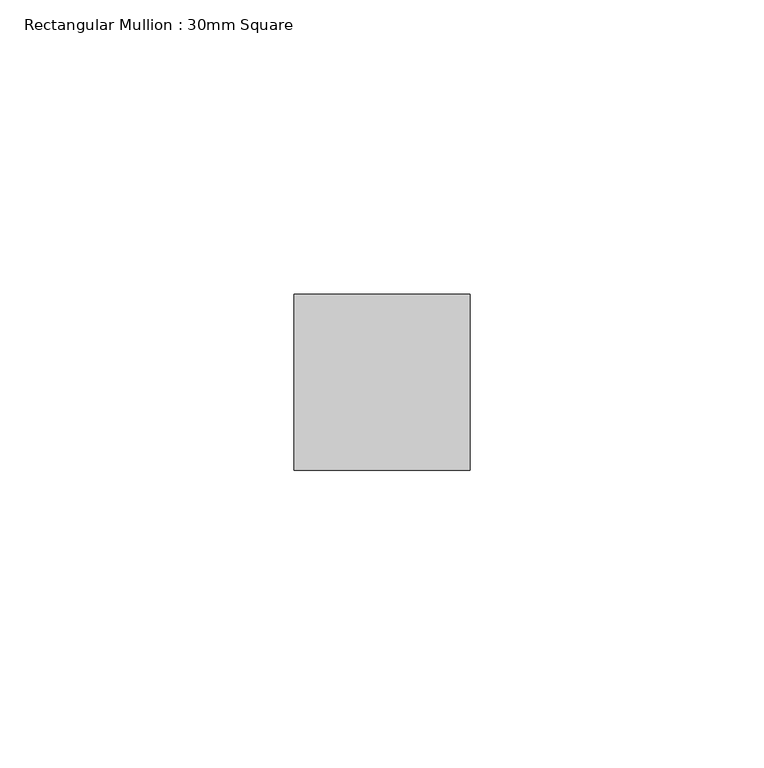
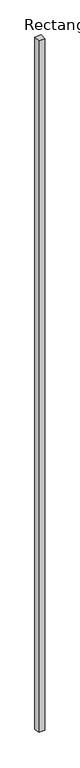
"""IFC4 building model written with IfcOpenShell, lengths in millimetres: member geometry, Rectangular Mullion : 30mm Square."""

from ifc_helpers import new_model, si_unit, frame, origin, place, context, project, spatial, polyline, outline, extrude, source, transform, mapped, element, save


def rectangular_mullion_30mm_square_c14fbc84(model_context):
    return source(origin(), model_context, "Body", "SweptSolid", [
        extrude(outline(polyline([(-15.0, 0.0), (15.0, 0.0), (15.0, -3441.4243585), (-15.0, -3436.6746006), (-15.0, 0.0)])), frame((-15.0, 0.0, 0.0), z_axis=(1.0, 0.0, 0.0), x_axis=(0.0, 1.0, 0.0)), (0.0, 0.0, 1.0), 30.0),
    ])


if __name__ == "__main__":
    model = new_model("IFC4")
    model_context = context("Model", 3, world=origin())
    ifc_project = project(units=[si_unit("LENGTHUNIT", "METRE", prefix="MILLI")], contexts=[model_context])
    site = spatial("IfcSite", under=ifc_project)
    building = spatial("IfcBuilding", under=site)
    placement = place(None, origin())
    rectangular_mullion_30mm_square_shape = rectangular_mullion_30mm_square_c14fbc84(model_context)
    element("IfcMember", 1, ObjectType="Rectangular Mullion : 30mm Square", at=placement, inside=building, context=model_context, shape_type="MappedRepresentation", body=[
        mapped(rectangular_mullion_30mm_square_shape, transform((0.0, 0.0, 0.0), x_axis=(1.0, 0.0, 0.0), y_axis=(0.0, 1.0, 0.0), z_axis=(0.0, 0.0, 1.0))),
    ])
    save(model, "model.ifc")
